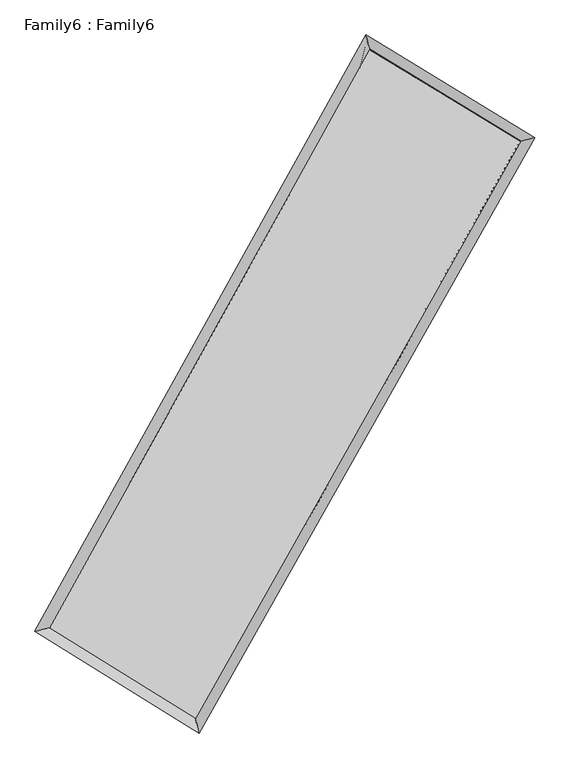
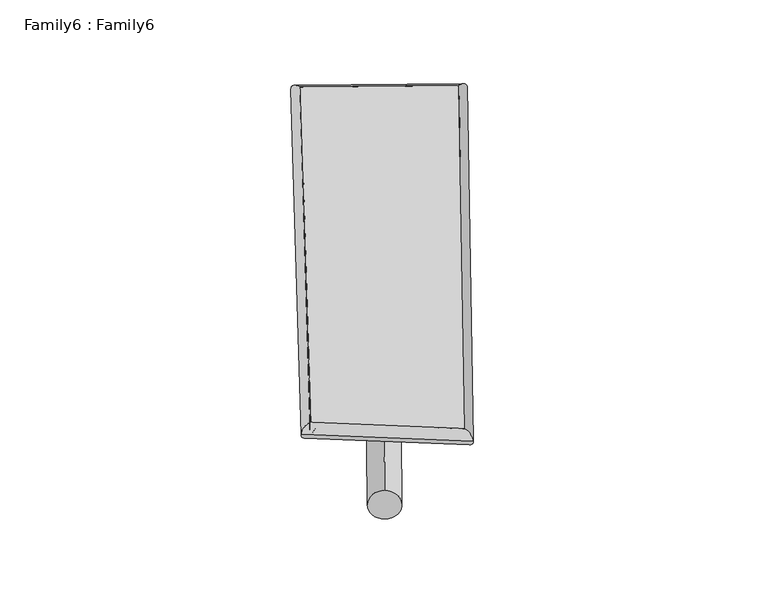
"""IFC4 building model written with IfcOpenShell, lengths in millimetres: plate geometry, Family6 : Family6."""

from ifc_helpers import new_model, si_unit, point, frame, origin, origin_2d, place, context, project, spatial, circle_curve, ellipse_curve, trimmed, segment, composite_curve, outline, extrude, source, transform, mapped, element, save
from ifc_brep_helpers import plane_surface, cylinder_surface, spline_surface, advanced_brep


def family6_family6_924aeec3(model_context):
    return source(origin(), model_context, "Body", "SolidModel", [
        extrude(outline(composite_curve([segment(trimmed(circle_curve(origin_2d(), 76.2), [point((-75.4341514, -10.7763074))], [point((75.4341514, 10.7763074))], False, "CARTESIAN"), True, "CONTINUOUS"), segment(trimmed(circle_curve(origin_2d(), 76.2), [point((75.4341514, 10.7763074))], [point((-75.4341514, -10.7763074))], False, "CARTESIAN"), True, "CONTINUOUS")], self_intersect=False)), frame((9144.0, 9144.0, 0.0), z_axis=(0.6715486674932158, 0.6852659147411827, 0.2818386298611608), x_axis=(-0.6782179957899926, 0.7216635984246434, -0.13864343076900754)), (0.0, 0.0, 1.0), 5536.6941351),
        extrude(outline(composite_curve([segment(trimmed(circle_curve(origin_2d(), 76.2), [point((-53.8815368, 53.8815367))], [point((53.8815368, -53.8815367))], False, "CARTESIAN"), True, "CONTINUOUS"), segment(trimmed(circle_curve(origin_2d(), 76.2), [point((53.8815368, -53.8815367))], [point((-53.8815368, 53.8815367))], False, "CARTESIAN"), True, "CONTINUOUS")], self_intersect=False)), frame((9144.0, 9144.0, 0.0), z_axis=(-0.6670111792469311, -0.6892737830998024, 0.2828387149788815), x_axis=(0.6490773009941435, -0.3512163119508344, 0.6747931235229151)), (0.0, 0.0, 1.0), 5519.1284428),
        extrude(outline(composite_curve([segment(trimmed(circle_curve(origin_2d(), 76.2), [point((-53.8815367, -53.8815367))], [point((53.8815367, 53.8815367))], False, "CARTESIAN"), True, "CONTINUOUS"), segment(trimmed(circle_curve(origin_2d(), 76.2), [point((53.8815367, 53.8815367))], [point((-53.8815367, -53.8815367))], False, "CARTESIAN"), True, "CONTINUOUS")], self_intersect=False)), frame((9144.0, 9144.0, 0.0), z_axis=(0.23923711878755327, 0.9342029922494026, 0.2646325192913618), x_axis=(-0.8449956053854799, 0.33456945606949856, -0.41718785450272433)), (0.0, 0.0, 1.0), 5609.3958958),
        extrude(outline(composite_curve([segment(trimmed(circle_curve(origin_2d(), 76.2), [point((-75.4341514, 10.7763074))], [point((75.4341514, -10.7763074))], False, "CARTESIAN"), True, "CONTINUOUS"), segment(trimmed(circle_curve(origin_2d(), 76.2), [point((75.4341514, -10.7763074))], [point((-75.4341514, 10.7763074))], False, "CARTESIAN"), True, "CONTINUOUS")], self_intersect=False)), frame((9144.0, 9144.0, 0.0), z_axis=(-0.24513448693069523, -0.9327184621990694, 0.2644718389360732), x_axis=(0.8880301133360625, -0.10656791667147768, 0.4472647951098332)), (0.0, 0.0, 1.0), 5609.8842366),
        advanced_brep(
        [(5259.1460397, 5286.9477052, 1555.7059529), (5259.0087572, 5286.72341, 1568.2194419), (5666.2132182, 5392.6712125, 1566.3404403), (10542.1102184, 14171.7823635, 1491.9933352), (10429.8412061, 14596.8464977, 1476.8638), (5666.3505007, 5392.8955076, 1553.8269513), (12656.9876258, 12884.6135351, 1559.6585877), (13067.3315116, 12991.6020071, 1561.2499903), (7714.0926296, 4124.6782771, 1485.1290603), (7823.5551822, 3698.4365263, 1482.1837403)],
        [
            (0, 1, ellipse_curve(frame((5462.679629, 5339.8094588, 1561.0231966), z_axis=(-0.25171020658577226, 0.967692764594565, 0.014583732439802967), x_axis=(-0.967372502423113, -0.252018990265835, 0.02601672733133552)), 210.6049, 152.4)),
            (1, 2, ellipse_curve(frame((5462.679629, 5339.8094588, 1561.0231966), z_axis=(-0.25171020658577226, 0.967692764594565, 0.014583732439802967), x_axis=(-0.967372502423113, -0.252018990265835, 0.02601672733133552)), 210.6049, 152.4)),
            (2, 3),
            (3, 4, ellipse_curve(frame((10485.9757123, 14384.3144306, 1484.4285676), z_axis=(-0.9666182907804476, -0.25581727340798516, -0.014373675757798795), x_axis=(0.25543492167051784, -0.9665263989447268, 0.0240773946704222)), 219.9631109, 152.4)),
            (4, 0),
            (2, 5, ellipse_curve(frame((5462.679629, 5339.8094588, 1561.0231966), z_axis=(-0.25171020658577226, 0.967692764594565, 0.014583732439802967), x_axis=(-0.967372502423113, -0.252018990265835, 0.02601672733133552)), 210.6049, 152.4)),
            (5, 0, ellipse_curve(frame((5462.679629, 5339.8094588, 1561.0231966), z_axis=(-0.25171020658577226, 0.967692764594565, 0.014583732439802967), x_axis=(-0.967372502423113, -0.252018990265835, 0.02601672733133552)), 210.6049, 152.4)),
            (4, 3, ellipse_curve(frame((10485.9757123, 14384.3144306, 1484.4285676), z_axis=(-0.9666182907804476, -0.25581727340798516, -0.014373675757798795), x_axis=(0.25543492167051784, -0.9665263989447268, 0.0240773946704222)), 219.9631109, 152.4)),
            (3, 6),
            (6, 7, ellipse_curve(frame((12862.1595687, 12938.1077711, 1560.454289), z_axis=(-0.2522198472772997, 0.9675707813927209, -0.013853939313248945), x_axis=(-0.9672745848671488, -0.2525001749134218, -0.02497076568262334)), 212.0772336, 152.4)),
            (7, 4),
            (7, 6, ellipse_curve(frame((12862.1595687, 12938.1077711, 1560.454289), z_axis=(-0.2522198472772997, 0.9675707813927209, -0.013853939313248945), x_axis=(-0.9672745848671488, -0.2525001749134218, -0.02497076568262334)), 212.0772336, 152.4)),
            (6, 8),
            (8, 9, ellipse_curve(frame((7768.8239059, 3911.5574017, 1483.6564003), z_axis=(0.9684331847548652, 0.24880725797230174, -0.015235322308825834), x_axis=(-0.2483916250405749, 0.968339759657002, 0.024893984757806752)), 220.0809089, 152.4)),
            (9, 7),
            (9, 8, ellipse_curve(frame((7768.8239059, 3911.5574017, 1483.6564003), z_axis=(0.9684331847548652, 0.24880725797230174, -0.015235322308825834), x_axis=(-0.2483916250405749, 0.968339759657002, 0.024893984757806752)), 220.0809089, 152.4)),
            (8, 5),
            (1, 9),
        ],
        [
            cylinder_surface(frame((5462.679629, 5339.8094588, 1561.0231966), z_axis=(-0.485524082351512, -0.8741919456710385, 0.007403214207791751), x_axis=(-0.873597642024241, 0.4848388886181591, -0.04193342262676162)), 152.4),
            cylinder_surface(frame((10485.9757123, 14384.3144306, 1484.4285676), z_axis=(-0.8539062150539699, 0.519709302552769, -0.02732062832948596), x_axis=(0.520281465783672, 0.8537315075772665, -0.02120635121471085)), 152.4),
            cylinder_surface(frame((12862.1595687, 12938.1077711, 1560.454289), z_axis=(0.49141275861168393, 0.8708952858085763, 0.0074095769145671704), x_axis=(0.8709246310265955, -0.49141275861168393, -0.0019462129491438843)), 152.4),
            cylinder_surface(frame((7768.8239059, 3911.5574017, 1483.6564003), z_axis=(0.8498141391119834, -0.5263108663622397, -0.028509663526385443), x_axis=(-0.5259335249454411, -0.8502898118093409, 0.02002906067939557)), 152.4),
        ],
        [
            (0, [[1, 2, 3, 4, 5]]),
            (0, [[6, 7, -5, 8, -3]]),
            (1, [[-4, 9, 10, 11]]),
            (1, [[-8, -11, 12, -9]]),
            (2, [[-10, 13, 14, 15]]),
            (2, [[-12, -15, 16, -13]]),
            (3, [[-14, 17, -6, -2, 18]]),
            (3, [[-16, -18, -1, -7, -17]]),
        ],
    ),
        extrude(outline(composite_curve([segment(trimmed(circle_curve(origin_2d(), 304.8), [point((1e-07, 304.8))], [point((0.0, -304.8))], False, "CARTESIAN"), True, "CONTINUOUS"), segment(trimmed(circle_curve(origin_2d(), 304.8), [point((0.0, -304.8))], [point((1e-07, 304.8))], False, "CARTESIAN"), True, "CONTINUOUS")], self_intersect=False)), frame((11718.990598, 13655.1748135, -0.0481896), z_axis=(-0.4957291021241379, -0.868477205930661, 9.277310917200088e-06), x_axis=(-0.8684772059767244, 0.49572910212413784, -2.4613803136117733e-06)), (0.0, 0.0, 1.0), 10388.7005501),
        advanced_brep(
        [(5462.679629, 5339.8094588, 1561.0231966), (7768.8239059, 3911.5574017, 1483.6564003), (7768.8076889, 3911.5634319, 1636.0563993), (5462.663412, 5339.815489, 1713.4231956), (12862.1595687, 12938.1077711, 1560.454289), (12862.1433517, 12938.1138013, 1712.854288), (10485.9757123, 14384.3144306, 1484.4285676), (10485.9594953, 14384.3204608, 1636.8285666)],
        [
            (0, 1),
            (1, 2),
            (2, 3),
            (3, 0),
            (1, 4),
            (4, 5),
            (5, 2),
            (4, 6),
            (6, 7),
            (7, 5),
            (6, 0),
            (3, 7),
        ],
        [
            plane_surface(frame((6615.7517674, 4625.6834303, 1522.3397984), z_axis=(-0.5265254325517341, -0.8501593782197349, -2.2388468549001603e-05), x_axis=(0.8498141391119834, -0.5263108663622393, -0.028509663526385433))),
            plane_surface(frame((10315.4917373, 8424.8325864, 1522.0553446), z_axis=(0.8709187799217734, -0.4914269693542237, 0.00011211999257236972), x_axis=(0.49141275861168376, 0.8708952858085766, 0.007409576914567188))),
            plane_surface(frame((11674.0676405, 13661.2111009, 1522.4414283), z_axis=(0.5199028684530702, 0.8542253841411153, 2.152287200795494e-05), x_axis=(-0.85390621505397, 0.5197093025527688, -0.02732062832948595))),
            plane_surface(frame((7974.3276706, 9862.0619447, 1522.7258821), z_axis=(-0.8742163007759519, 0.48553665861630235, -0.00011223781374121488), x_axis=(-0.485524082351512, -0.8741919456710384, 0.007403214207791759))),
            spline_surface(1, 1, [[(7768.8076889, 3911.5634319, 1636.0563993), (5462.663412, 5339.815489, 1713.4231956)], [(12862.1433517, 12938.1138013, 1712.854288), (10485.9594953, 14384.3204608, 1636.8285666)]], [2, 2], [2, 2], [0.0, 1.0], [0.0, 1.0]),
            spline_surface(1, 1, [[(10485.9757123, 14384.3144306, 1484.4285676), (5462.679629, 5339.8094588, 1561.0231966)], [(12862.1595687, 12938.1077711, 1560.454289), (7768.8239059, 3911.5574017, 1483.6564003)]], [2, 2], [2, 2], [0.0, 1.0], [0.0, 1.0]),
        ],
        [
            (0, [[1, 2, 3, 4]]),
            (1, [[5, 6, 7, -2]]),
            (2, [[8, 9, 10, -6]]),
            (3, [[11, -4, 12, -9]]),
            (4, [[-3, -7, -10, -12]]),
            (5, [[-11, -8, -5, -1]]),
        ],
    ),
    ])


if __name__ == "__main__":
    model = new_model("IFC4")
    model_context = context("Model", 3, world=origin())
    ifc_project = project(units=[si_unit("LENGTHUNIT", "METRE", prefix="MILLI")], contexts=[model_context])
    site = spatial("IfcSite", under=ifc_project)
    building = spatial("IfcBuilding", under=site)
    placement = place(None, origin())
    family6_family6_shape = family6_family6_924aeec3(model_context)
    element("IfcPlate", 1, ObjectType="Family6 : Family6", at=placement, inside=building, context=model_context, shape_type="MappedRepresentation", body=[
        mapped(family6_family6_shape, transform((0.0, 0.0, 0.0), x_axis=(1.0, 0.0, 0.0), y_axis=(0.0, 1.0, 0.0), z_axis=(0.0, 0.0, 1.0))),
    ])
    save(model, "model.ifc")
